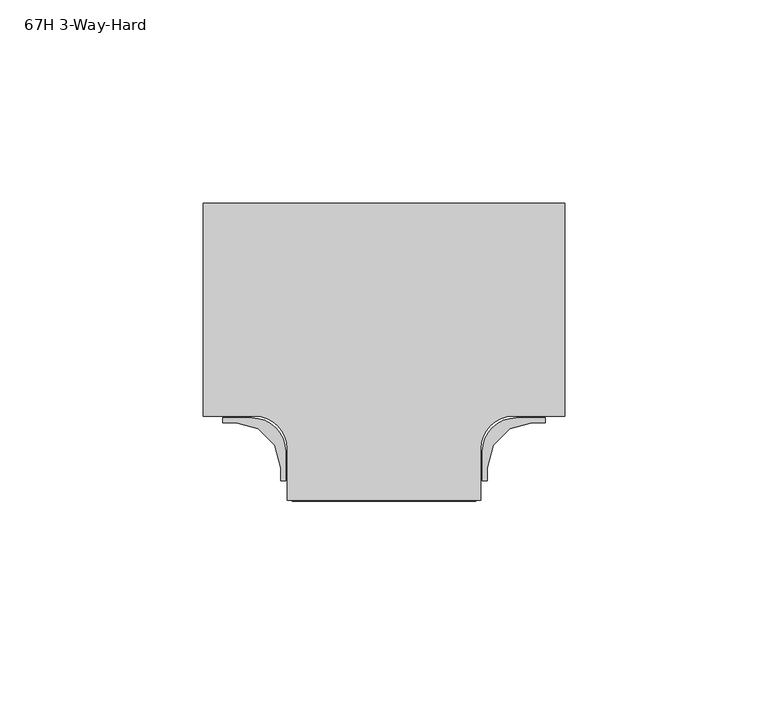
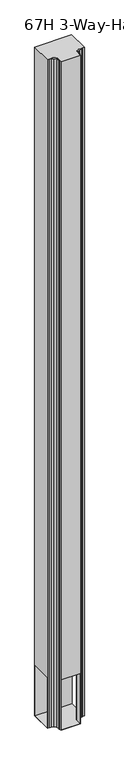
"""IFC4 building model written with IfcOpenShell, lengths in millimetres: furniture geometry, 67H 3-Way-Hard."""

from ifc_helpers import new_model, si_unit, point, frame, frame_2d, origin, place, context, project, spatial, polyline, circle_curve, trimmed, segment, composite_curve, outline, extrude, source, transform, mapped, element, save
from ifc_brep_helpers import plane_surface, cylinder_surface, revolved_surface, advanced_brep


def furniture_67h_3_way_hard_62fd51fa(model_context):
    return source(origin(), model_context, "Body", "SolidModel", [
        extrude(outline(composite_curve([segment(polyline([(31.7500015, -15.6479256), (30.5568331, -15.6479256), (30.5568331, -8.4848759)]), True, "CONTINUOUS"), segment(trimmed(circle_curve(frame_2d((38.8750832, -8.4848759)), 8.3182501), [point((30.5568331, -8.4848759))], [point((38.8750832, -0.1666258))], False, "CARTESIAN"), True, "CONTINUOUS"), segment(polyline([(38.8750832, -0.1666258), (46.037497, -0.1666258), (46.037497, -1.3597897), (42.8250386, -1.3604256), (37.2878357, -2.8441105), (33.2343222, -6.897624), (31.7506328, -12.4348223), (31.7500015, -15.6479256)]), True, "CONTINUOUS")], self_intersect=False)), frame((0.0, 0.0, 9.779), z_axis=(0.0, 0.0, 1.0), x_axis=(1.0, 0.0, 0.0)), (0.0, 0.0, 1.0), 1695.1959758),
        extrude(outline(composite_curve([segment(polyline([(-19.0500045, -15.6479256), (-19.0506359, -12.4348223), (-20.5343253, -6.897624), (-24.5878388, -2.8441105), (-30.1250417, -1.3604256), (-33.3375, -1.3597897), (-33.3375, -0.1666258), (-26.1750862, -0.1666258)]), True, "CONTINUOUS"), segment(trimmed(circle_curve(frame_2d((-26.1750862, -8.4848759)), 8.3182501), [point((-26.1750862, -0.1666258))], [point((-17.8568361, -8.4848759))], False, "CARTESIAN"), True, "CONTINUOUS"), segment(polyline([(-17.8568361, -8.4848759), (-17.8568361, -15.6479256), (-19.0500045, -15.6479256)]), True, "CONTINUOUS")], self_intersect=False)), frame((0.0, 0.0, 9.779), z_axis=(0.0, 0.0, 1.0), x_axis=(1.0, 0.0, 0.0)), (0.0, 0.0, 1.0), 1695.1959758),
        advanced_brep(
        [(-38.1, 52.614576, 1704.9749758), (-38.1, 0.2270774, 1704.9749758), (-25.3999996, 0.2270774, 1704.9749758), (-17.4618657, -7.7110565, 1704.9749758), (-17.4618657, -20.410424, 1704.9749758), (30.1618626, -20.410424, 1704.9749758), (30.1618626, -7.7110565, 1704.9749758), (38.0999966, 0.2270774, 1704.9749758), (50.799997, 0.2270774, 1704.9749758), (50.799997, 52.614576, 1704.9749758), (-38.1, 52.614576, 9.525), (50.799997, 52.614576, 9.525), (50.799997, 0.2270774, 9.525), (38.0999966, 0.2270774, 9.525), (30.1618626, -7.7110565, 9.525), (30.1618626, -20.410424, 9.525), (-17.4618657, -20.410424, 9.525), (-17.4618657, -7.7110565, 9.525), (-25.3999996, 0.2270774, 9.525), (-38.1, 0.2270774, 9.525), (-38.1, 51.344576, 136.525), (-38.1, 1.4970774, 136.525), (-38.1, 1.4970774, 9.779), (-38.1, 51.344576, 9.779), (-16.1918657, -20.410424, 136.525), (28.8918626, -20.410424, 136.525), (28.8918626, -20.410424, 9.779), (-16.1918657, -20.410424, 9.779), (50.799997, 1.4970774, 136.525), (50.799997, 51.344576, 136.525), (50.799997, 51.344576, 9.779), (50.799997, 1.4970774, 9.779), (38.0999966, 1.4970774, 136.525), (28.8918626, -7.7110565, 136.525), (-16.1918657, -7.7110565, 136.525), (-25.3999996, 1.4970774, 136.525), (-25.3999996, 1.4970774, 9.779), (-16.1918657, -7.7110565, 9.779), (28.8918626, -7.7110565, 9.779), (38.0999966, 1.4970774, 9.779)],
        [
            (0, 1),
            (1, 2),
            (2, 3, circle_curve(frame((-25.3999996, -7.7110565, 1704.9749758), z_axis=(0.0, 0.0, -1.0), x_axis=(1.0, 0.0, 0.0)), 7.938134)),
            (3, 4),
            (4, 5),
            (5, 6),
            (6, 7, circle_curve(frame((38.0999966, -7.7110565, 1704.9749758), z_axis=(0.0, 0.0, -1.0), x_axis=(1.0, 0.0, 0.0)), 7.938134)),
            (7, 8),
            (8, 9),
            (9, 0),
            (10, 11),
            (11, 12),
            (12, 13),
            (13, 14, circle_curve(frame((38.0999966, -7.7110565, 9.525), z_axis=(0.0, 0.0, 1.0), x_axis=(1.0, 0.0, 0.0)), 7.938134)),
            (14, 15),
            (15, 16),
            (16, 17),
            (17, 18, circle_curve(frame((-25.3999996, -7.7110565, 9.525), z_axis=(0.0, 0.0, 1.0), x_axis=(1.0, 0.0, 0.0)), 7.938134)),
            (18, 19),
            (19, 10),
            (0, 10),
            (19, 1),
            (20, 21),
            (21, 22),
            (22, 23),
            (23, 20),
            (4, 16),
            (15, 5),
            (24, 25),
            (25, 26),
            (26, 27),
            (27, 24),
            (8, 12),
            (11, 9),
            (28, 29),
            (29, 30),
            (30, 31),
            (31, 28),
            (18, 2),
            (17, 3),
            (14, 6),
            (13, 7),
            (32, 33, circle_curve(frame((38.0999966, -7.7110565, 136.525), z_axis=(0.0, 0.0, 1.0), x_axis=(1.0, 0.0, 0.0)), 9.208134)),
            (33, 25),
            (24, 34),
            (34, 35, circle_curve(frame((-25.3999996, -7.7110565, 136.525), z_axis=(0.0, 0.0, 1.0), x_axis=(1.0, 0.0, 0.0)), 9.208134)),
            (35, 21),
            (20, 29),
            (28, 32),
            (36, 37, circle_curve(frame((-25.3999996, -7.7110565, 9.779), z_axis=(0.0, 0.0, -1.0), x_axis=(1.0, 0.0, 0.0)), 9.208134)),
            (37, 27),
            (26, 38),
            (38, 39, circle_curve(frame((38.0999966, -7.7110565, 9.779), z_axis=(0.0, 0.0, -1.0), x_axis=(1.0, 0.0, 0.0)), 9.208134)),
            (39, 31),
            (30, 23),
            (22, 36),
            (35, 36),
            (34, 37),
            (33, 38),
            (32, 39),
        ],
        [
            plane_surface(frame((-38.1, 52.614576, 1704.9749758), z_axis=(0.0, 0.0, 1.0), x_axis=(0.0, -1.0, 0.0))),
            plane_surface(frame((-38.1, 52.614576, 9.525), z_axis=(0.0, 0.0, -1.0), x_axis=(0.0, 1.0, 0.0))),
            plane_surface(frame((-38.1, 52.614576, 1704.9749758), z_axis=(-1.0, 0.0, 0.0), x_axis=(0.0, 0.0, -1.0))),
            plane_surface(frame((-17.4618657, -20.410424, 1704.9749758), z_axis=(0.0, -1.0, 0.0), x_axis=(0.0, 0.0, -1.0))),
            plane_surface(frame((50.799997, 0.2270774, 1704.9749758), z_axis=(1.0, 0.0, 0.0), x_axis=(0.0, 0.0, -1.0))),
            plane_surface(frame((50.799997, 52.614576, 1704.9749758), z_axis=(0.0, 1.0, 0.0), x_axis=(0.0, 0.0, -1.0))),
            plane_surface(frame((-38.1, 0.2270774, 1704.9749758), z_axis=(0.0, -1.0, 0.0), x_axis=(0.0, 0.0, -1.0))),
            revolved_surface(polyline([(-17.461865600000003, -7.7110565, 9.525), (-17.461865600000003, -7.7110565, 1704.9749758)]), (-25.3999996, -7.7110565, 9.525), (0.0, 0.0, -1.0)),
            plane_surface(frame((-17.4618657, -7.7110565, 1704.9749758), z_axis=(-1.0, 0.0, 0.0), x_axis=(0.0, 0.0, -1.0))),
            plane_surface(frame((30.1618626, -20.410424, 1704.9749758), z_axis=(1.0, 0.0, 0.0), x_axis=(0.0, 0.0, -1.0))),
            revolved_surface(polyline([(46.038130599999995, -7.7110565, 9.525), (46.038130599999995, -7.7110565, 1704.9749758)]), (38.0999966, -7.7110565, 9.525), (0.0, 0.0, -1.0)),
            plane_surface(frame((38.0999966, 0.2270774, 1704.9749758), z_axis=(0.0, -1.0, 0.0), x_axis=(0.0, 0.0, -1.0))),
            plane_surface(frame((-43.18, 51.344576, 136.525), z_axis=(0.0, 0.0, -1.0), x_axis=(0.0, -1.0, 0.0))),
            plane_surface(frame((-43.18, 51.344576, 9.779), z_axis=(0.0, 0.0, 1.0), x_axis=(0.0, 1.0, 0.0))),
            plane_surface(frame((-43.18, 1.4970774, 136.525), z_axis=(0.0, 1.0, 0.0), x_axis=(0.0, 0.0, -1.0))),
            cylinder_surface(frame((-25.3999996, -7.7110565, 9.779), z_axis=(0.0, 0.0, -1.0), x_axis=(1.0, 0.0, 0.0)), 9.208134),
            plane_surface(frame((-16.1918657, -7.7110565, 136.525), z_axis=(1.0, 0.0, 0.0), x_axis=(0.0, 0.0, -1.0))),
            plane_surface(frame((28.8918626, -23.7122902, 136.525), z_axis=(-1.0, 0.0, 0.0), x_axis=(0.0, 0.0, -1.0))),
            cylinder_surface(frame((38.0999966, -7.7110565, 9.779), z_axis=(0.0, 0.0, -1.0), x_axis=(1.0, 0.0, 0.0)), 9.208134),
            plane_surface(frame((38.0999966, 1.4970774, 136.525), z_axis=(0.0, 1.0, 0.0), x_axis=(0.0, 0.0, -1.0))),
            plane_surface(frame((54.292497, 51.344576, 136.525), z_axis=(0.0, -1.0, 0.0), x_axis=(0.0, 0.0, -1.0))),
        ],
        [
            (0, [[1, 2, 3, 4, 5, 6, 7, 8, 9, 10]]),
            (1, [[11, 12, 13, 14, 15, 16, 17, 18, 19, 20]]),
            (2, [[-1, 21, -20, 22], [23, 24, 25, 26]]),
            (3, [[-5, 27, -16, 28], [29, 30, 31, 32]]),
            (4, [[-9, 33, -12, 34], [35, 36, 37, 38]]),
            (5, [[-10, -34, -11, -21]]),
            (6, [[-2, -22, -19, 39]]),
            (7, [[-3, -39, -18, 40]]),
            (8, [[-4, -40, -17, -27]]),
            (9, [[-6, -28, -15, 41]]),
            (10, [[-7, -41, -14, 42]]),
            (11, [[-8, -42, -13, -33]]),
            (12, [[43, 44, -29, 45, 46, 47, -23, 48, -35, 49]]),
            (13, [[50, 51, -31, 52, 53, 54, -37, 55, -25, 56]]),
            (14, [[57, -56, -24, -47]]),
            (15, [[-46, 58, -50, -57]]),
            (16, [[-58, -45, -32, -51]]),
            (17, [[59, -52, -30, -44]]),
            (18, [[-43, 60, -53, -59]]),
            (19, [[-60, -49, -38, -54]]),
            (20, [[-48, -26, -55, -36]]),
        ],
    ),
    ])


if __name__ == "__main__":
    model = new_model("IFC4")
    model_context = context("Model", 3, world=origin())
    ifc_project = project(units=[si_unit("LENGTHUNIT", "METRE", prefix="MILLI")], contexts=[model_context])
    site = spatial("IfcSite", under=ifc_project)
    building = spatial("IfcBuilding", under=site)
    placement = place(None, origin())
    furniture_67h_3_way_hard_shape = furniture_67h_3_way_hard_62fd51fa(model_context)
    element("IfcFurniture", 1, ObjectType="67H 3-Way-Hard", at=placement, inside=building, context=model_context, shape_type="MappedRepresentation", body=[
        mapped(furniture_67h_3_way_hard_shape, transform((0.0, 0.0, 0.0), x_axis=(1.0, 0.0, 0.0), y_axis=(0.0, 1.0, 0.0), z_axis=(0.0, 0.0, 1.0))),
    ])
    save(model, "model.ifc")
